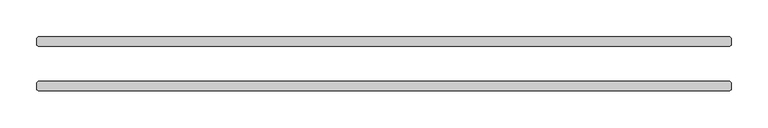
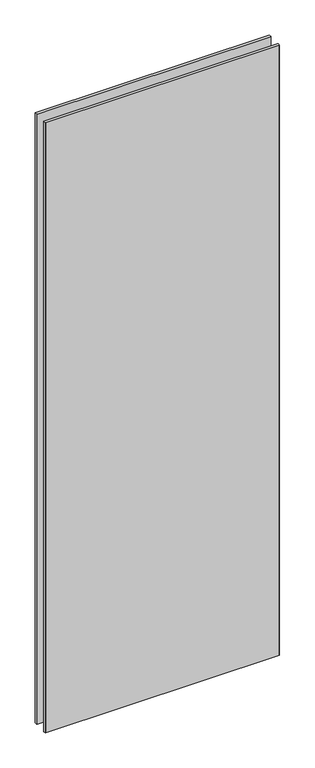
"""IFC4 building model written with IfcOpenShell, lengths in millimetres: plate geometry."""

import ifcopenshell
import ifcopenshell.guid

model = None  # the IFC model being written
_history = None  # IfcOwnerHistory: only IFC2X3 demands one
_inside = {}  # id of a spatial element -> (the spatial element, [elements in it])
_under = {}  # id of a project, library or spatial element -> (it, [spatial elements below it])
_declared = {}  # id of a project -> (the project, [libraries it declares])
_typed = {}  # id of a type object -> (the type object, [elements of that type])
_made_of = {}  # id of a material, layer set ... -> (it, [elements and type objects made of it])


def new_model(schema):
    """Start an empty IFC model of exactly this schema.

    Asked for "IFC4X3", IfcOpenShell would pick the latest addendum, in which some entities
    have other attributes; the version numbers below select the first issue.
    IFC2X3 requires an IfcOwnerHistory on every rooted entity: one is made here for all.
    """
    global model, _history
    if schema == "IFC4X3":
        model = ifcopenshell.file(schema_version=(4, 3, 0, 0))
    else:
        model = ifcopenshell.file(schema=schema)
    _inside.clear()
    _under.clear()
    _declared.clear()
    _typed.clear()
    _made_of.clear()
    _history = None
    if model.schema == "IFC2X3":
        org = make("IfcOrganization", Name="unknown")
        user = make(
            "IfcPersonAndOrganization",
            ThePerson=make("IfcPerson", FamilyName="unknown"),
            TheOrganization=org,
        )
        app = make(
            "IfcApplication",
            ApplicationDeveloper=org,
            Version="unknown",
            ApplicationFullName="unknown",
            ApplicationIdentifier="unknown",
        )
        _history = make(
            "IfcOwnerHistory",
            OwningUser=user,
            OwningApplication=app,
            ChangeAction="ADDED",
            CreationDate=0,
        )
    return model


def make(cls, **values):
    """One entity of the class cls with the attributes given. An attribute that is None is left unset."""
    return model.create_entity(
        cls, **{name: value for name, value in values.items() if value is not None}
    )


def rooted(cls, **values):
    """An entity with a GlobalId (a new one), such as an element, a storey or a relation."""
    return make(cls, GlobalId=ifcopenshell.guid.new(), OwnerHistory=_history, **values)


def si_unit(unit_type, name, prefix=None):
    """IfcSIUnit, for example si_unit("LENGTHUNIT", "METRE", prefix="MILLI")."""
    return make("IfcSIUnit", UnitType=unit_type, Prefix=prefix, Name=name)


def assignment(units):
    """IfcUnitAssignment: the units of a project."""
    return None if units is None else make("IfcUnitAssignment", Units=units)


def point(xyz):
    """IfcCartesianPoint."""
    return None if xyz is None else make("IfcCartesianPoint", Coordinates=xyz)


def direction(xyz):
    """IfcDirection."""
    return None if xyz is None else make("IfcDirection", DirectionRatios=xyz)


def frame(location, z_axis=None, x_axis=None):
    """IfcAxis2Placement3D, a coordinate frame: its origin and axes. An axis left out is left unset."""
    return make(
        "IfcAxis2Placement3D",
        Location=point(location),
        Axis=direction(z_axis),
        RefDirection=direction(x_axis),
    )


def origin():
    """The frame at (0, 0, 0) with its axes left unset."""
    return frame((0.0, 0.0, 0.0))


def origin_with_axes():
    """The frame at (0, 0, 0) with the z axis (0, 0, 1) and the x axis (1, 0, 0) written out."""
    return frame((0.0, 0.0, 0.0), z_axis=(0.0, 0.0, 1.0), x_axis=(1.0, 0.0, 0.0))


def place(relative_to, where):
    """IfcLocalPlacement: puts the frame where relative to a parent placement (None: the world)."""
    return make(
        "IfcLocalPlacement", PlacementRelTo=relative_to, RelativePlacement=where
    )


def context(
    kind, dimensions, precision=None, world=None, true_north=None, identifier=None
):
    """IfcGeometricRepresentationContext, for example the 3D "Model" context."""
    return make(
        "IfcGeometricRepresentationContext",
        ContextIdentifier=identifier,
        ContextType=kind,
        CoordinateSpaceDimension=dimensions,
        Precision=precision,
        WorldCoordinateSystem=world,
        TrueNorth=true_north,
    )


def project(units=None, contexts=None):
    """IfcProject with its units and contexts."""
    return rooted(
        "IfcProject",
        Name="project",
        RepresentationContexts=contexts,
        UnitsInContext=assignment(units),
    )


def spatial(cls, under=None, at=None, **own):
    """A site, building, storey or space (cls), placed at a placement, below another one or the project."""
    s = rooted(cls, ObjectPlacement=at, **own)
    if under is not None:
        _under.setdefault(under.id(), (under, []))[1].append(s)
    return s


def polyline(points):
    """IfcPolyline through the points."""
    return make("IfcPolyline", Points=[point(p) for p in points])


def outline(outer, holes=None, kind="AREA"):
    """IfcArbitraryClosedProfileDef: a profile drawn as a closed curve; with holes, ...WithVoids."""
    if holes is None:
        return make("IfcArbitraryClosedProfileDef", ProfileType=kind, OuterCurve=outer)
    return make(
        "IfcArbitraryProfileDefWithVoids",
        ProfileType=kind,
        OuterCurve=outer,
        InnerCurves=holes,
    )


def extrude(swept, where, along, depth):
    """IfcExtrudedAreaSolid: the profile swept, set in the frame where, extruded along a direction by depth."""
    return make(
        "IfcExtrudedAreaSolid",
        SweptArea=swept,
        Position=where,
        ExtrudedDirection=direction(along),
        Depth=depth,
    )


def shape(context_of_items, identifier, shape_type, items):
    """IfcShapeRepresentation: the items that make up one representation, for example the "Body"."""
    return make(
        "IfcShapeRepresentation",
        ContextOfItems=context_of_items,
        RepresentationIdentifier=identifier,
        RepresentationType=shape_type,
        Items=items,
    )


def source(mapping_origin, context_of_items, identifier, shape_type, items):
    """IfcRepresentationMap: a shape defined once, which mapped items show again and again."""
    return make(
        "IfcRepresentationMap",
        MappingOrigin=mapping_origin,
        MappedRepresentation=shape(context_of_items, identifier, shape_type, items),
    )


def transform(
    local_origin,
    x_axis=None,
    y_axis=None,
    z_axis=None,
    scale=None,
    scale2=None,
    scale3=None,
    uniform=True,
):
    """IfcCartesianTransformationOperator3D, or its non-uniform kind. x_axis, y_axis, z_axis: its Axis1, 2, 3."""
    if uniform:
        return make(
            "IfcCartesianTransformationOperator3D",
            Axis1=direction(x_axis),
            Axis2=direction(y_axis),
            LocalOrigin=point(local_origin),
            Scale=scale,
            Axis3=direction(z_axis),
        )
    return make(
        "IfcCartesianTransformationOperator3DnonUniform",
        Axis1=direction(x_axis),
        Axis2=direction(y_axis),
        LocalOrigin=point(local_origin),
        Scale=scale,
        Axis3=direction(z_axis),
        Scale2=scale2,
        Scale3=scale3,
    )


def mapped(mapping_source, mapping_target):
    """IfcMappedItem: shows the shape of a source again, moved by a transform."""
    return make(
        "IfcMappedItem", MappingSource=mapping_source, MappingTarget=mapping_target
    )


def made_of(thing, what):
    """Note that an element or type object is made of a material, layer set ...; save() writes the relation."""
    if what is not None:
        _made_of.setdefault(what.id(), (what, []))[1].append(thing)
    return thing


def element(
    cls,
    number,
    at=None,
    inside=None,
    cuts=None,
    type_object=None,
    material=None,
    context=None,
    identifier="Body",
    shape_type=None,
    held_by="IfcProductDefinitionShape",
    body=None,
    shapes=None,
    **own,
):
    """One element of the class cls, such as IfcWall. Its Tag is "e" and its number.

    at: its placement. inside: the storey or other place that contains it. cuts: it is an
    opening in that element (IfcRelVoidsElement). A single representation is given by context,
    identifier, shape_type and body (its items); several are given by shapes. held_by: the class
    of the entity that holds the representations. save() writes the other relations.
    """
    e = rooted(cls, Tag="e%d" % number, ObjectPlacement=at, **own)
    if body is not None:
        shapes = [shape(context, identifier, shape_type, body)]
    if shapes is not None:
        e.Representation = make(held_by, Representations=shapes)
    if inside is not None:
        _inside.setdefault(inside.id(), (inside, []))[1].append(e)
    if cuts is not None:
        rooted(
            "IfcRelVoidsElement", RelatingBuildingElement=cuts, RelatedOpeningElement=e
        )
    if type_object is not None:
        _typed.setdefault(type_object.id(), (type_object, []))[1].append(e)
    return made_of(e, material)


def aggregate(whole, parts):
    """IfcRelAggregates: a whole, such as a stair, and the parts it consists of."""
    return rooted("IfcRelAggregates", RelatingObject=whole, RelatedObjects=parts)


def save(model, path):
    """Write the relations noted so far, then the file.

    IfcRelAggregates (storeys below a building ...), IfcRelContainedInSpatialStructure (elements
    in a storey), IfcRelDefinesByType, IfcRelAssociatesMaterial and IfcRelDeclares: one each for
    every whole, place, type object, material and project.
    """
    for whole, parts in _under.values():
        aggregate(whole, parts)
    for where, things in _inside.values():
        rooted(
            "IfcRelContainedInSpatialStructure",
            RelatedElements=things,
            RelatingStructure=where,
        )
    for kind, things in _typed.values():
        rooted("IfcRelDefinesByType", RelatedObjects=things, RelatingType=kind)
    for what, things in _made_of.values():
        rooted("IfcRelAssociatesMaterial", RelatedObjects=things, RelatingMaterial=what)
    for by, libraries in _declared.values():
        rooted("IfcRelDeclares", RelatingContext=by, RelatedDefinitions=libraries)
    model.write(path)


def plate_9500aba5(model_context):
    return source(origin(), model_context, "Body", "SweptSolid", [
        extrude(outline(polyline([(469.10625, -23.8125), (470.69375, -25.4), (470.69375, -34.925), (469.10625, -36.5125), (-469.10625, -36.5125), (-470.69375, -34.925), (-470.69375, -25.4), (-469.10625, -23.8125), (469.10625, -23.8125)])), origin_with_axes(), (0.0, 0.0, 1.0), 2586.0375),
        extrude(outline(polyline([(469.10625, 36.5125), (470.69375, 34.925), (470.69375, 25.4), (469.10625, 23.8125), (-469.10625, 23.8125), (-470.69375, 25.4), (-470.69375, 34.925), (-469.10625, 36.5125), (469.10625, 36.5125)])), origin_with_axes(), (0.0, 0.0, 1.0), 2586.0375),
    ])


if __name__ == "__main__":
    model = new_model("IFC4")
    model_context = context("Model", 3, world=origin())
    ifc_project = project(units=[si_unit("LENGTHUNIT", "METRE", prefix="MILLI")], contexts=[model_context])
    site = spatial("IfcSite", under=ifc_project)
    building = spatial("IfcBuilding", under=site)
    placement = place(None, origin())
    plate_shape = plate_9500aba5(model_context)
    element("IfcPlate", 1, at=placement, inside=building, context=model_context, shape_type="MappedRepresentation", body=[
        mapped(plate_shape, transform((0.0, 0.0, 0.0), x_axis=(1.0, 0.0, 0.0), y_axis=(0.0, 1.0, 0.0), z_axis=(0.0, 0.0, 1.0))),
    ])
    save(model, "model.ifc")
